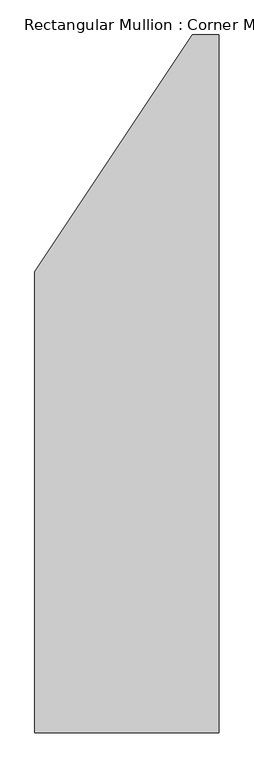
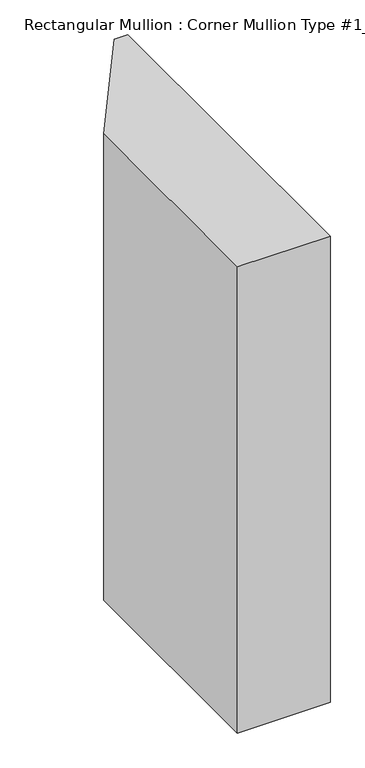
"""IFC4 building model written with IfcOpenShell, lengths in millimetres: member geometry, Rectangular Mullion : Corner Mullion Type #1_Left."""

from ifc_helpers import new_model, si_unit, frame, origin, place, context, project, spatial, polyline, outline, extrude, source, transform, mapped, element, save


def rectangular_mullion_corner_mullion_type_1_left_5a44f081(model_context):
    return source(origin(), model_context, "Body", "SweptSolid", [
        extrude(outline(polyline([(-355.6, -381.0), (-355.6, 508.0), (-50.8, 965.2), (0.0, 965.2), (0.0, -381.0), (-355.6, -381.0)])), frame((0.0, 0.0, -1892.3), z_axis=(0.0, 0.0, 1.0), x_axis=(1.0, 0.0, 0.0)), (0.0, 0.0, 1.0), 1892.3),
    ])


if __name__ == "__main__":
    model = new_model("IFC4")
    model_context = context("Model", 3, world=origin())
    ifc_project = project(units=[si_unit("LENGTHUNIT", "METRE", prefix="MILLI")], contexts=[model_context])
    site = spatial("IfcSite", under=ifc_project)
    building = spatial("IfcBuilding", under=site)
    placement = place(None, origin())
    rectangular_mullion_corner_mullion_type_1_left_shape = rectangular_mullion_corner_mullion_type_1_left_5a44f081(model_context)
    element("IfcMember", 1, ObjectType="Rectangular Mullion : Corner Mullion Type #1_Left", at=placement, inside=building, context=model_context, shape_type="MappedRepresentation", body=[
        mapped(rectangular_mullion_corner_mullion_type_1_left_shape, transform((0.0, 0.0, 0.0), x_axis=(1.0, 0.0, 0.0), y_axis=(0.0, 1.0, 0.0), z_axis=(0.0, 0.0, 1.0))),
    ])
    save(model, "model.ifc")
